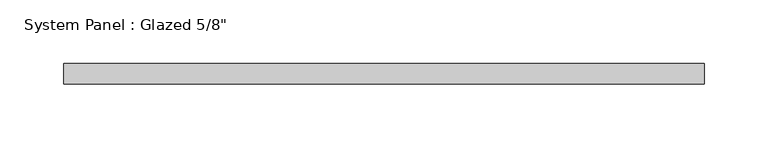
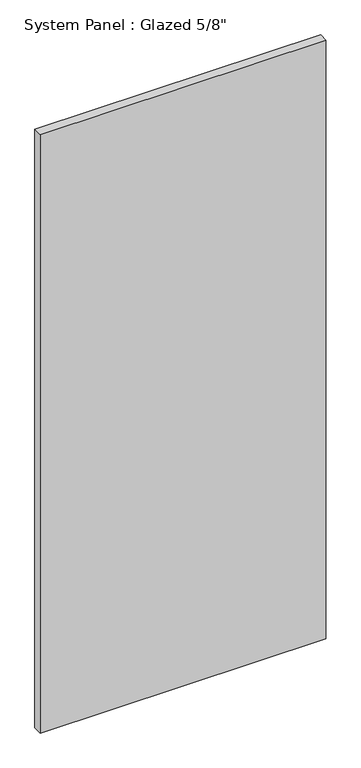
"""IFC4 building model written with IfcOpenShell, lengths in millimetres: plate geometry."""

import ifcopenshell
import ifcopenshell.guid

model = None  # the IFC model being written
_history = None  # IfcOwnerHistory: only IFC2X3 demands one
_inside = {}  # id of a spatial element -> (the spatial element, [elements in it])
_under = {}  # id of a project, library or spatial element -> (it, [spatial elements below it])
_declared = {}  # id of a project -> (the project, [libraries it declares])
_typed = {}  # id of a type object -> (the type object, [elements of that type])
_made_of = {}  # id of a material, layer set ... -> (it, [elements and type objects made of it])


def new_model(schema):
    """Start an empty IFC model of exactly this schema.

    Asked for "IFC4X3", IfcOpenShell would pick the latest addendum, in which some entities
    have other attributes; the version numbers below select the first issue.
    IFC2X3 requires an IfcOwnerHistory on every rooted entity: one is made here for all.
    """
    global model, _history
    if schema == "IFC4X3":
        model = ifcopenshell.file(schema_version=(4, 3, 0, 0))
    else:
        model = ifcopenshell.file(schema=schema)
    _inside.clear()
    _under.clear()
    _declared.clear()
    _typed.clear()
    _made_of.clear()
    _history = None
    if model.schema == "IFC2X3":
        org = make("IfcOrganization", Name="unknown")
        user = make(
            "IfcPersonAndOrganization",
            ThePerson=make("IfcPerson", FamilyName="unknown"),
            TheOrganization=org,
        )
        app = make(
            "IfcApplication",
            ApplicationDeveloper=org,
            Version="unknown",
            ApplicationFullName="unknown",
            ApplicationIdentifier="unknown",
        )
        _history = make(
            "IfcOwnerHistory",
            OwningUser=user,
            OwningApplication=app,
            ChangeAction="ADDED",
            CreationDate=0,
        )
    return model


def make(cls, **values):
    """One entity of the class cls with the attributes given. An attribute that is None is left unset."""
    return model.create_entity(
        cls, **{name: value for name, value in values.items() if value is not None}
    )


def rooted(cls, **values):
    """An entity with a GlobalId (a new one), such as an element, a storey or a relation."""
    return make(cls, GlobalId=ifcopenshell.guid.new(), OwnerHistory=_history, **values)


def si_unit(unit_type, name, prefix=None):
    """IfcSIUnit, for example si_unit("LENGTHUNIT", "METRE", prefix="MILLI")."""
    return make("IfcSIUnit", UnitType=unit_type, Prefix=prefix, Name=name)


def assignment(units):
    """IfcUnitAssignment: the units of a project."""
    return None if units is None else make("IfcUnitAssignment", Units=units)


def point(xyz):
    """IfcCartesianPoint."""
    return None if xyz is None else make("IfcCartesianPoint", Coordinates=xyz)


def direction(xyz):
    """IfcDirection."""
    return None if xyz is None else make("IfcDirection", DirectionRatios=xyz)


def frame(location, z_axis=None, x_axis=None):
    """IfcAxis2Placement3D, a coordinate frame: its origin and axes. An axis left out is left unset."""
    return make(
        "IfcAxis2Placement3D",
        Location=point(location),
        Axis=direction(z_axis),
        RefDirection=direction(x_axis),
    )


def origin():
    """The frame at (0, 0, 0) with its axes left unset."""
    return frame((0.0, 0.0, 0.0))


def origin_with_axes():
    """The frame at (0, 0, 0) with the z axis (0, 0, 1) and the x axis (1, 0, 0) written out."""
    return frame((0.0, 0.0, 0.0), z_axis=(0.0, 0.0, 1.0), x_axis=(1.0, 0.0, 0.0))


def place(relative_to, where):
    """IfcLocalPlacement: puts the frame where relative to a parent placement (None: the world)."""
    return make(
        "IfcLocalPlacement", PlacementRelTo=relative_to, RelativePlacement=where
    )


def context(
    kind, dimensions, precision=None, world=None, true_north=None, identifier=None
):
    """IfcGeometricRepresentationContext, for example the 3D "Model" context."""
    return make(
        "IfcGeometricRepresentationContext",
        ContextIdentifier=identifier,
        ContextType=kind,
        CoordinateSpaceDimension=dimensions,
        Precision=precision,
        WorldCoordinateSystem=world,
        TrueNorth=true_north,
    )


def project(units=None, contexts=None):
    """IfcProject with its units and contexts."""
    return rooted(
        "IfcProject",
        Name="project",
        RepresentationContexts=contexts,
        UnitsInContext=assignment(units),
    )


def spatial(cls, under=None, at=None, **own):
    """A site, building, storey or space (cls), placed at a placement, below another one or the project."""
    s = rooted(cls, ObjectPlacement=at, **own)
    if under is not None:
        _under.setdefault(under.id(), (under, []))[1].append(s)
    return s


def polyline(points):
    """IfcPolyline through the points."""
    return make("IfcPolyline", Points=[point(p) for p in points])


def outline(outer, holes=None, kind="AREA"):
    """IfcArbitraryClosedProfileDef: a profile drawn as a closed curve; with holes, ...WithVoids."""
    if holes is None:
        return make("IfcArbitraryClosedProfileDef", ProfileType=kind, OuterCurve=outer)
    return make(
        "IfcArbitraryProfileDefWithVoids",
        ProfileType=kind,
        OuterCurve=outer,
        InnerCurves=holes,
    )


def extrude(swept, where, along, depth):
    """IfcExtrudedAreaSolid: the profile swept, set in the frame where, extruded along a direction by depth."""
    return make(
        "IfcExtrudedAreaSolid",
        SweptArea=swept,
        Position=where,
        ExtrudedDirection=direction(along),
        Depth=depth,
    )


def shape(context_of_items, identifier, shape_type, items):
    """IfcShapeRepresentation: the items that make up one representation, for example the "Body"."""
    return make(
        "IfcShapeRepresentation",
        ContextOfItems=context_of_items,
        RepresentationIdentifier=identifier,
        RepresentationType=shape_type,
        Items=items,
    )


def source(mapping_origin, context_of_items, identifier, shape_type, items):
    """IfcRepresentationMap: a shape defined once, which mapped items show again and again."""
    return make(
        "IfcRepresentationMap",
        MappingOrigin=mapping_origin,
        MappedRepresentation=shape(context_of_items, identifier, shape_type, items),
    )


def transform(
    local_origin,
    x_axis=None,
    y_axis=None,
    z_axis=None,
    scale=None,
    scale2=None,
    scale3=None,
    uniform=True,
):
    """IfcCartesianTransformationOperator3D, or its non-uniform kind. x_axis, y_axis, z_axis: its Axis1, 2, 3."""
    if uniform:
        return make(
            "IfcCartesianTransformationOperator3D",
            Axis1=direction(x_axis),
            Axis2=direction(y_axis),
            LocalOrigin=point(local_origin),
            Scale=scale,
            Axis3=direction(z_axis),
        )
    return make(
        "IfcCartesianTransformationOperator3DnonUniform",
        Axis1=direction(x_axis),
        Axis2=direction(y_axis),
        LocalOrigin=point(local_origin),
        Scale=scale,
        Axis3=direction(z_axis),
        Scale2=scale2,
        Scale3=scale3,
    )


def mapped(mapping_source, mapping_target):
    """IfcMappedItem: shows the shape of a source again, moved by a transform."""
    return make(
        "IfcMappedItem", MappingSource=mapping_source, MappingTarget=mapping_target
    )


def made_of(thing, what):
    """Note that an element or type object is made of a material, layer set ...; save() writes the relation."""
    if what is not None:
        _made_of.setdefault(what.id(), (what, []))[1].append(thing)
    return thing


def element(
    cls,
    number,
    at=None,
    inside=None,
    cuts=None,
    type_object=None,
    material=None,
    context=None,
    identifier="Body",
    shape_type=None,
    held_by="IfcProductDefinitionShape",
    body=None,
    shapes=None,
    **own,
):
    """One element of the class cls, such as IfcWall. Its Tag is "e" and its number.

    at: its placement. inside: the storey or other place that contains it. cuts: it is an
    opening in that element (IfcRelVoidsElement). A single representation is given by context,
    identifier, shape_type and body (its items); several are given by shapes. held_by: the class
    of the entity that holds the representations. save() writes the other relations.
    """
    e = rooted(cls, Tag="e%d" % number, ObjectPlacement=at, **own)
    if body is not None:
        shapes = [shape(context, identifier, shape_type, body)]
    if shapes is not None:
        e.Representation = make(held_by, Representations=shapes)
    if inside is not None:
        _inside.setdefault(inside.id(), (inside, []))[1].append(e)
    if cuts is not None:
        rooted(
            "IfcRelVoidsElement", RelatingBuildingElement=cuts, RelatedOpeningElement=e
        )
    if type_object is not None:
        _typed.setdefault(type_object.id(), (type_object, []))[1].append(e)
    return made_of(e, material)


def aggregate(whole, parts):
    """IfcRelAggregates: a whole, such as a stair, and the parts it consists of."""
    return rooted("IfcRelAggregates", RelatingObject=whole, RelatedObjects=parts)


def save(model, path):
    """Write the relations noted so far, then the file.

    IfcRelAggregates (storeys below a building ...), IfcRelContainedInSpatialStructure (elements
    in a storey), IfcRelDefinesByType, IfcRelAssociatesMaterial and IfcRelDeclares: one each for
    every whole, place, type object, material and project.
    """
    for whole, parts in _under.values():
        aggregate(whole, parts)
    for where, things in _inside.values():
        rooted(
            "IfcRelContainedInSpatialStructure",
            RelatedElements=things,
            RelatingStructure=where,
        )
    for kind, things in _typed.values():
        rooted("IfcRelDefinesByType", RelatedObjects=things, RelatingType=kind)
    for what, things in _made_of.values():
        rooted("IfcRelAssociatesMaterial", RelatedObjects=things, RelatingMaterial=what)
    for by, libraries in _declared.values():
        rooted("IfcRelDeclares", RelatingContext=by, RelatedDefinitions=libraries)
    model.write(path)


def plate_5452813f(model_context):
    return source(origin(), model_context, "Body", "SweptSolid", [
        extrude(outline(polyline([(250.825, -3.175), (-250.825, -3.175), (-250.825, 12.7), (250.825, 12.7), (250.825, -3.175)])), origin_with_axes(), (0.0, 0.0, 1.0), 1111.25),
    ])


if __name__ == "__main__":
    model = new_model("IFC4")
    model_context = context("Model", 3, world=origin())
    ifc_project = project(units=[si_unit("LENGTHUNIT", "METRE", prefix="MILLI")], contexts=[model_context])
    site = spatial("IfcSite", under=ifc_project)
    building = spatial("IfcBuilding", under=site)
    placement = place(None, origin())
    plate_shape = plate_5452813f(model_context)
    element("IfcPlate", 1, ObjectType="System Panel : Glazed 5/8\"", at=placement, inside=building, context=model_context, shape_type="MappedRepresentation", body=[
        mapped(plate_shape, transform((0.0, 0.0, 0.0), x_axis=(1.0, 0.0, 0.0), y_axis=(0.0, 1.0, 0.0), z_axis=(0.0, 0.0, 1.0))),
    ])
    save(model, "model.ifc")
